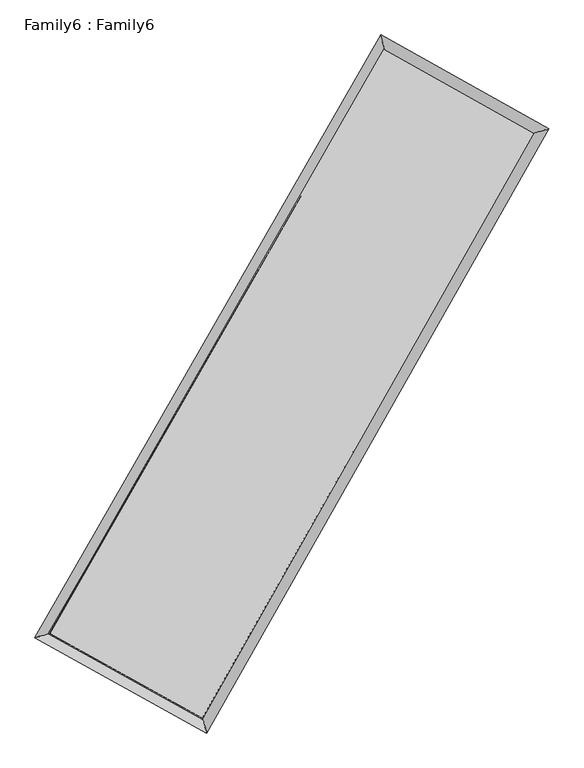
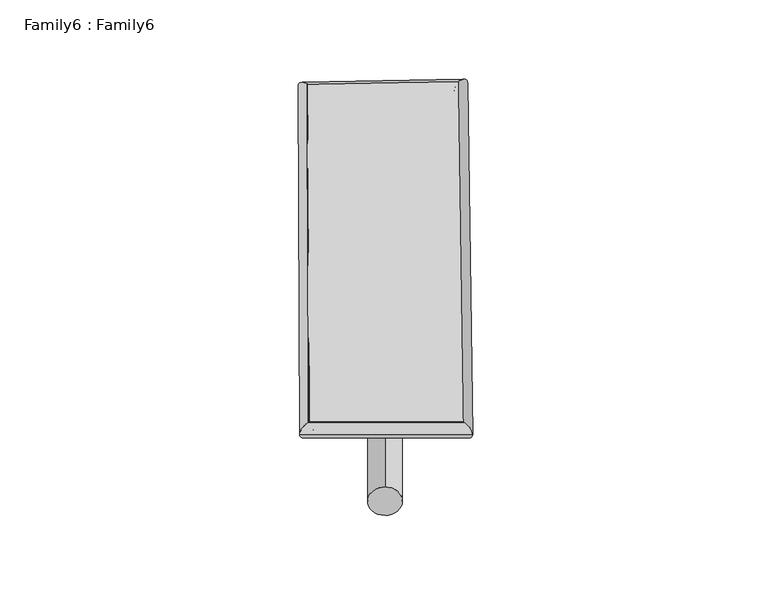
"""IFC4 building model written with IfcOpenShell, lengths in millimetres: plate geometry, Family6 : Family6."""

import ifcopenshell
import ifcopenshell.guid

model = None  # the IFC model being written
_history = None  # IfcOwnerHistory: only IFC2X3 demands one
_inside = {}  # id of a spatial element -> (the spatial element, [elements in it])
_under = {}  # id of a project, library or spatial element -> (it, [spatial elements below it])
_declared = {}  # id of a project -> (the project, [libraries it declares])
_typed = {}  # id of a type object -> (the type object, [elements of that type])
_made_of = {}  # id of a material, layer set ... -> (it, [elements and type objects made of it])


def new_model(schema):
    """Start an empty IFC model of exactly this schema.

    Asked for "IFC4X3", IfcOpenShell would pick the latest addendum, in which some entities
    have other attributes; the version numbers below select the first issue.
    IFC2X3 requires an IfcOwnerHistory on every rooted entity: one is made here for all.
    """
    global model, _history
    if schema == "IFC4X3":
        model = ifcopenshell.file(schema_version=(4, 3, 0, 0))
    else:
        model = ifcopenshell.file(schema=schema)
    _inside.clear()
    _under.clear()
    _declared.clear()
    _typed.clear()
    _made_of.clear()
    _history = None
    if model.schema == "IFC2X3":
        org = make("IfcOrganization", Name="unknown")
        user = make(
            "IfcPersonAndOrganization",
            ThePerson=make("IfcPerson", FamilyName="unknown"),
            TheOrganization=org,
        )
        app = make(
            "IfcApplication",
            ApplicationDeveloper=org,
            Version="unknown",
            ApplicationFullName="unknown",
            ApplicationIdentifier="unknown",
        )
        _history = make(
            "IfcOwnerHistory",
            OwningUser=user,
            OwningApplication=app,
            ChangeAction="ADDED",
            CreationDate=0,
        )
    return model


def make(cls, **values):
    """One entity of the class cls with the attributes given. An attribute that is None is left unset."""
    return model.create_entity(
        cls, **{name: value for name, value in values.items() if value is not None}
    )


def rooted(cls, **values):
    """An entity with a GlobalId (a new one), such as an element, a storey or a relation."""
    return make(cls, GlobalId=ifcopenshell.guid.new(), OwnerHistory=_history, **values)


def si_unit(unit_type, name, prefix=None):
    """IfcSIUnit, for example si_unit("LENGTHUNIT", "METRE", prefix="MILLI")."""
    return make("IfcSIUnit", UnitType=unit_type, Prefix=prefix, Name=name)


def assignment(units):
    """IfcUnitAssignment: the units of a project."""
    return None if units is None else make("IfcUnitAssignment", Units=units)


def point(xyz):
    """IfcCartesianPoint."""
    return None if xyz is None else make("IfcCartesianPoint", Coordinates=xyz)


def direction(xyz):
    """IfcDirection."""
    return None if xyz is None else make("IfcDirection", DirectionRatios=xyz)


def frame(location, z_axis=None, x_axis=None):
    """IfcAxis2Placement3D, a coordinate frame: its origin and axes. An axis left out is left unset."""
    return make(
        "IfcAxis2Placement3D",
        Location=point(location),
        Axis=direction(z_axis),
        RefDirection=direction(x_axis),
    )


def frame_2d(location, x_axis=None):
    """IfcAxis2Placement2D, a coordinate frame in the plane: its origin and x axis."""
    return make(
        "IfcAxis2Placement2D", Location=point(location), RefDirection=direction(x_axis)
    )


def origin():
    """The frame at (0, 0, 0) with its axes left unset."""
    return frame((0.0, 0.0, 0.0))


def origin_2d():
    """The frame at (0, 0) in the plane with its x axis left unset."""
    return frame_2d((0.0, 0.0))


def place(relative_to, where):
    """IfcLocalPlacement: puts the frame where relative to a parent placement (None: the world)."""
    return make(
        "IfcLocalPlacement", PlacementRelTo=relative_to, RelativePlacement=where
    )


def context(
    kind, dimensions, precision=None, world=None, true_north=None, identifier=None
):
    """IfcGeometricRepresentationContext, for example the 3D "Model" context."""
    return make(
        "IfcGeometricRepresentationContext",
        ContextIdentifier=identifier,
        ContextType=kind,
        CoordinateSpaceDimension=dimensions,
        Precision=precision,
        WorldCoordinateSystem=world,
        TrueNorth=true_north,
    )


def project(units=None, contexts=None):
    """IfcProject with its units and contexts."""
    return rooted(
        "IfcProject",
        Name="project",
        RepresentationContexts=contexts,
        UnitsInContext=assignment(units),
    )


def spatial(cls, under=None, at=None, **own):
    """A site, building, storey or space (cls), placed at a placement, below another one or the project."""
    s = rooted(cls, ObjectPlacement=at, **own)
    if under is not None:
        _under.setdefault(under.id(), (under, []))[1].append(s)
    return s


def circle_curve(where, radius):
    """IfcCircle in the frame where."""
    return make("IfcCircle", Position=where, Radius=radius)


def ellipse_curve(where, semi_axis1, semi_axis2):
    """IfcEllipse in the frame where."""
    return make(
        "IfcEllipse", Position=where, SemiAxis1=semi_axis1, SemiAxis2=semi_axis2
    )


def trimmed(basis, trim1, trim2, sense, master):
    """IfcTrimmedCurve: the piece of a basis curve between two trims."""
    return make(
        "IfcTrimmedCurve",
        BasisCurve=basis,
        Trim1=trim1,
        Trim2=trim2,
        SenseAgreement=sense,
        MasterRepresentation=master,
    )


def segment(curve, same_sense, transition):
    """IfcCompositeCurveSegment."""
    return make(
        "IfcCompositeCurveSegment",
        Transition=transition,
        SameSense=same_sense,
        ParentCurve=curve,
    )


def composite_curve(segments, self_intersect=None):
    """IfcCompositeCurve: segments joined end to end."""
    return make("IfcCompositeCurve", Segments=segments, SelfIntersect=self_intersect)


def outline(outer, holes=None, kind="AREA"):
    """IfcArbitraryClosedProfileDef: a profile drawn as a closed curve; with holes, ...WithVoids."""
    if holes is None:
        return make("IfcArbitraryClosedProfileDef", ProfileType=kind, OuterCurve=outer)
    return make(
        "IfcArbitraryProfileDefWithVoids",
        ProfileType=kind,
        OuterCurve=outer,
        InnerCurves=holes,
    )


def extrude(swept, where, along, depth):
    """IfcExtrudedAreaSolid: the profile swept, set in the frame where, extruded along a direction by depth."""
    return make(
        "IfcExtrudedAreaSolid",
        SweptArea=swept,
        Position=where,
        ExtrudedDirection=direction(along),
        Depth=depth,
    )


def shape(context_of_items, identifier, shape_type, items):
    """IfcShapeRepresentation: the items that make up one representation, for example the "Body"."""
    return make(
        "IfcShapeRepresentation",
        ContextOfItems=context_of_items,
        RepresentationIdentifier=identifier,
        RepresentationType=shape_type,
        Items=items,
    )


def source(mapping_origin, context_of_items, identifier, shape_type, items):
    """IfcRepresentationMap: a shape defined once, which mapped items show again and again."""
    return make(
        "IfcRepresentationMap",
        MappingOrigin=mapping_origin,
        MappedRepresentation=shape(context_of_items, identifier, shape_type, items),
    )


def transform(
    local_origin,
    x_axis=None,
    y_axis=None,
    z_axis=None,
    scale=None,
    scale2=None,
    scale3=None,
    uniform=True,
):
    """IfcCartesianTransformationOperator3D, or its non-uniform kind. x_axis, y_axis, z_axis: its Axis1, 2, 3."""
    if uniform:
        return make(
            "IfcCartesianTransformationOperator3D",
            Axis1=direction(x_axis),
            Axis2=direction(y_axis),
            LocalOrigin=point(local_origin),
            Scale=scale,
            Axis3=direction(z_axis),
        )
    return make(
        "IfcCartesianTransformationOperator3DnonUniform",
        Axis1=direction(x_axis),
        Axis2=direction(y_axis),
        LocalOrigin=point(local_origin),
        Scale=scale,
        Axis3=direction(z_axis),
        Scale2=scale2,
        Scale3=scale3,
    )


def mapped(mapping_source, mapping_target):
    """IfcMappedItem: shows the shape of a source again, moved by a transform."""
    return make(
        "IfcMappedItem", MappingSource=mapping_source, MappingTarget=mapping_target
    )


def made_of(thing, what):
    """Note that an element or type object is made of a material, layer set ...; save() writes the relation."""
    if what is not None:
        _made_of.setdefault(what.id(), (what, []))[1].append(thing)
    return thing


def element(
    cls,
    number,
    at=None,
    inside=None,
    cuts=None,
    type_object=None,
    material=None,
    context=None,
    identifier="Body",
    shape_type=None,
    held_by="IfcProductDefinitionShape",
    body=None,
    shapes=None,
    **own,
):
    """One element of the class cls, such as IfcWall. Its Tag is "e" and its number.

    at: its placement. inside: the storey or other place that contains it. cuts: it is an
    opening in that element (IfcRelVoidsElement). A single representation is given by context,
    identifier, shape_type and body (its items); several are given by shapes. held_by: the class
    of the entity that holds the representations. save() writes the other relations.
    """
    e = rooted(cls, Tag="e%d" % number, ObjectPlacement=at, **own)
    if body is not None:
        shapes = [shape(context, identifier, shape_type, body)]
    if shapes is not None:
        e.Representation = make(held_by, Representations=shapes)
    if inside is not None:
        _inside.setdefault(inside.id(), (inside, []))[1].append(e)
    if cuts is not None:
        rooted(
            "IfcRelVoidsElement", RelatingBuildingElement=cuts, RelatedOpeningElement=e
        )
    if type_object is not None:
        _typed.setdefault(type_object.id(), (type_object, []))[1].append(e)
    return made_of(e, material)


def aggregate(whole, parts):
    """IfcRelAggregates: a whole, such as a stair, and the parts it consists of."""
    return rooted("IfcRelAggregates", RelatingObject=whole, RelatedObjects=parts)


def save(model, path):
    """Write the relations noted so far, then the file.

    IfcRelAggregates (storeys below a building ...), IfcRelContainedInSpatialStructure (elements
    in a storey), IfcRelDefinesByType, IfcRelAssociatesMaterial and IfcRelDeclares: one each for
    every whole, place, type object, material and project.
    """
    for whole, parts in _under.values():
        aggregate(whole, parts)
    for where, things in _inside.values():
        rooted(
            "IfcRelContainedInSpatialStructure",
            RelatedElements=things,
            RelatingStructure=where,
        )
    for kind, things in _typed.values():
        rooted("IfcRelDefinesByType", RelatedObjects=things, RelatingType=kind)
    for what, things in _made_of.values():
        rooted("IfcRelAssociatesMaterial", RelatedObjects=things, RelatingMaterial=what)
    for by, libraries in _declared.values():
        rooted("IfcRelDeclares", RelatingContext=by, RelatedDefinitions=libraries)
    model.write(path)


def plane_surface(at):
    """IfcPlane: the flat surface through the origin of the frame at, square to its z axis."""
    return make("IfcPlane", Position=at)


def cylinder_surface(at, radius):
    """IfcCylindricalSurface: all points at the distance radius from the z axis of the frame at."""
    return make("IfcCylindricalSurface", Position=at, Radius=radius)


def spline_surface(u_degree, v_degree, points, u_multiplicities, v_multiplicities, u_knots, v_knots, weights=None):
    """IfcBSplineSurfaceWithKnots; with weights, IfcRationalBSplineSurfaceWithKnots. points: one row for each step in u."""
    own = dict(
        UDegree=u_degree,
        VDegree=v_degree,
        ControlPointsList=[[point(p) for p in row] for row in points],
        SurfaceForm="UNSPECIFIED",
        UClosed=False,
        VClosed=False,
        SelfIntersect=False,
        UMultiplicities=u_multiplicities,
        VMultiplicities=v_multiplicities,
        UKnots=u_knots,
        VKnots=v_knots,
        KnotSpec="UNSPECIFIED",
    )
    if weights is None:
        return make("IfcBSplineSurfaceWithKnots", **own)
    return make("IfcRationalBSplineSurfaceWithKnots", WeightsData=weights, **own)


def advanced_brep(points, edges, surfaces, faces):
    """IfcAdvancedBrep: a solid bounded by faces that lie on surfaces and meet in shared edges.

    An edge is (start, end): straight between two places in points (the first is 0);
    or (start, end, curve); or (start, end, curve, False) where it runs against its curve.
    A face is (place in surfaces, loops), or (place, loops, False) where it looks against
    its surface's normal. A loop lists edges by number (the first is 1), with a minus sign
    where the edge is run from its end to its start. The first loop is the outer one.
    """
    corners = [point(p) for p in points]
    vertices = [make("IfcVertexPoint", VertexGeometry=c) for c in corners]
    made = []
    for start, end, *more in edges:
        made.append(
            make(
                "IfcEdgeCurve",
                EdgeStart=vertices[start],
                EdgeEnd=vertices[end],
                EdgeGeometry=more[0] if more else make("IfcPolyline", Points=[corners[start], corners[end]]),
                SameSense=more[1] if len(more) > 1 else True,
            )
        )
    hull = []
    for where, loops, *sense in faces:
        bounds = []
        for j, loop in enumerate(loops):
            ring = [make("IfcOrientedEdge", EdgeElement=made[abs(k) - 1], Orientation=k > 0) for k in loop]
            bounds.append(
                make(
                    "IfcFaceOuterBound" if j == 0 else "IfcFaceBound",
                    Bound=make("IfcEdgeLoop", EdgeList=ring),
                    Orientation=True,
                )
            )
        hull.append(make("IfcAdvancedFace", Bounds=bounds, FaceSurface=surfaces[where], SameSense=sense[0] if sense else True))
    return make("IfcAdvancedBrep", Outer=make("IfcClosedShell", CfsFaces=hull))


def family6_family6_a5cd1183(model_context):
    return source(origin(), model_context, "Body", "SolidModel", [
        extrude(outline(composite_curve([segment(trimmed(circle_curve(origin_2d(), 76.2), [point((-75.4341515, -10.7763074))], [point((75.4341515, 10.7763074))], False, "CARTESIAN"), True, "CONTINUOUS"), segment(trimmed(circle_curve(origin_2d(), 76.2), [point((75.4341515, 10.7763074))], [point((-75.4341515, -10.7763074))], False, "CARTESIAN"), True, "CONTINUOUS")], self_intersect=False)), frame((9144.0, 9144.0, 0.0), z_axis=(0.6684041879448409, 0.6910500932005788, 0.2751101783381877), x_axis=(-0.6830281956757306, 0.7166942747575813, -0.14078991598001786)), (0.0, 0.0, 1.0), 5600.3910367),
        extrude(outline(composite_curve([segment(trimmed(circle_curve(origin_2d(), 76.2), [point((-53.8815367, 53.8815367))], [point((53.8815367, -53.8815367))], False, "CARTESIAN"), True, "CONTINUOUS"), segment(trimmed(circle_curve(origin_2d(), 76.2), [point((53.8815367, -53.8815367))], [point((-53.8815367, 53.8815367))], False, "CARTESIAN"), True, "CONTINUOUS")], self_intersect=False)), frame((9144.0, 9144.0, 0.0), z_axis=(-0.6721735838616373, -0.6876306922082611, 0.27449354143912036), x_axis=(0.6426042725373465, -0.35767353135523083, 0.6775908750010041)), (0.0, 0.0, 1.0), 5612.5788653),
        extrude(outline(composite_curve([segment(trimmed(circle_curve(origin_2d(), 76.2), [point((-53.8815367, -53.8815367))], [point((53.8815367, 53.8815367))], False, "CARTESIAN"), True, "CONTINUOUS"), segment(trimmed(circle_curve(origin_2d(), 76.2), [point((53.8815367, 53.8815367))], [point((-53.8815367, -53.8815367))], False, "CARTESIAN"), True, "CONTINUOUS")], self_intersect=False)), frame((9144.0, 9144.0, 0.0), z_axis=(0.253819509232191, 0.9287491394367416, 0.2701864036709505), x_axis=(-0.8433099738471631, 0.3492910210873995, -0.4084410246261009)), (0.0, 0.0, 1.0), 5568.4862991),
        extrude(outline(composite_curve([segment(trimmed(circle_curve(origin_2d(), 76.2), [point((-75.4341515, 10.7763074))], [point((75.4341515, -10.7763074))], False, "CARTESIAN"), True, "CONTINUOUS"), segment(trimmed(circle_curve(origin_2d(), 76.2), [point((75.4341515, -10.7763074))], [point((-75.4341515, 10.7763074))], False, "CARTESIAN"), True, "CONTINUOUS")], self_intersect=False)), frame((9144.0, 9144.0, 0.0), z_axis=(-0.2487741159004101, -0.9301354958141718, 0.2701099751665873), x_axis=(0.8863818405413212, -0.10621660391630366, 0.45060544361011357)), (0.0, 0.0, 1.0), 5571.6443397),
        advanced_brep(
        [(5162.2339188, 5226.3883504, 1537.941717), (5162.1936431, 5226.3344313, 1543.9541785), (5580.51158, 5342.8486692, 1543.2915816), (10614.5255801, 14109.2525658, 1508.2619506), (10500.2553391, 14522.2011507, 1500.7966235), (5580.5518558, 5342.9025883, 1537.2791202), (12679.1471505, 12955.8886964, 1540.3356336), (13095.5024957, 13072.4127994, 1541.1135202), (7699.755666, 4168.1035679, 1505.6138353), (7816.0825445, 3755.1280912, 1504.2995932)],
        [
            (0, 1, ellipse_curve(frame((5371.3727494, 5284.6185098, 1540.6166493), z_axis=(-0.26830049815047746, 0.9633109753149686, 0.006841602877236153), x_axis=(-0.9632473726586946, -0.2683651886009817, 0.011602784720984577)), 217.1744939, 152.4)),
            (1, 2, ellipse_curve(frame((5371.3727494, 5284.6185098, 1540.6166493), z_axis=(-0.26830049815047746, 0.9633109753149686, 0.006841602877236153), x_axis=(-0.9632473726586946, -0.2683651886009817, 0.011602784720984577)), 217.1744939, 152.4)),
            (2, 3),
            (3, 4, ellipse_curve(frame((10557.3904596, 14315.7268582, 1504.529287), z_axis=(-0.963723620234081, -0.26680782285877075, -0.0070971447976891314), x_axis=(0.26671213601040106, -0.9637001431949438, 0.01211076012537368)), 214.2691132, 152.4)),
            (4, 0),
            (2, 5, ellipse_curve(frame((5371.3727494, 5284.6185098, 1540.6166493), z_axis=(-0.26830049815047746, 0.9633109753149686, 0.006841602877236153), x_axis=(-0.9632473726586946, -0.2683651886009817, 0.011602784720984577)), 217.1744939, 152.4)),
            (5, 0, ellipse_curve(frame((5371.3727494, 5284.6185098, 1540.6166493), z_axis=(-0.26830049815047746, 0.9633109753149686, 0.006841602877236153), x_axis=(-0.9632473726586946, -0.2683651886009817, 0.011602784720984577)), 217.1744939, 152.4)),
            (4, 3, ellipse_curve(frame((10557.3904596, 14315.7268582, 1504.529287), z_axis=(-0.963723620234081, -0.26680782285877075, -0.0070971447976891314), x_axis=(0.26671213601040106, -0.9637001431949438, 0.01211076012537368)), 214.2691132, 152.4)),
            (3, 6),
            (6, 7, ellipse_curve(frame((12887.3248231, 13014.1507479, 1540.7245769), z_axis=(-0.2694917283754292, 0.9629759353498419, -0.007180269794429624), x_axis=(-0.962908422972515, -0.26956218556824435, -0.011983199917197844)), 216.1885014, 152.4)),
            (7, 4),
            (7, 6, ellipse_curve(frame((12887.3248231, 13014.1507479, 1540.7245769), z_axis=(-0.2694917283754292, 0.9629759353498419, -0.007180269794429624), x_axis=(-0.962908422972515, -0.26956218556824435, -0.011983199917197844)), 216.1885014, 152.4)),
            (6, 8),
            (8, 9, ellipse_curve(frame((7757.9191053, 3961.6158296, 1504.9567142), z_axis=(0.9625152838149457, 0.271142749151782, -0.006777758113758808), x_axis=(-0.2710538409728136, 0.9624927703862118, 0.011725282434103045)), 214.5320333, 152.4)),
            (9, 7),
            (9, 8, ellipse_curve(frame((7757.9191053, 3961.6158296, 1504.9567142), z_axis=(0.9625152838149457, 0.271142749151782, -0.006777758113758808), x_axis=(-0.2710538409728136, 0.9624927703862118, 0.011725282434103045)), 214.5320333, 152.4)),
            (8, 5),
            (1, 9),
        ],
        [
            cylinder_surface(frame((5371.3727494, 5284.6185098, 1540.6166493), z_axis=(-0.497972318733728, -0.8671860021196615, 0.003465184363530374), x_axis=(-0.8670350836086486, 0.4978014698923513, -0.02106799384750347)), 152.4),
            cylinder_surface(frame((10557.3904596, 14315.7268582, 1504.529287), z_axis=(-0.8729343650978588, 0.4876491515371257, -0.013560945259075696), x_axis=(0.4877953096839709, 0.8728875837820318, -0.011090623493986228)), 152.4),
            cylinder_surface(frame((12887.3248231, 13014.1507479, 1540.7245769), z_axis=(0.4929831731275244, 0.8700320533019597, 0.0034376213132604355), x_axis=(0.8700383725734783, -0.4929831731275244, -0.0009062355161397351)), 152.4),
            cylinder_surface(frame((7757.9191053, 3961.6158296, 1504.9567142), z_axis=(0.8745266293749341, -0.4848014251992109, -0.013067235320862774), x_axis=(-0.4847260687525345, -0.874623403938485, 0.008633629293108009)), 152.4),
        ],
        [
            (0, [[1, 2, 3, 4, 5]]),
            (0, [[6, 7, -5, 8, -3]]),
            (1, [[-4, 9, 10, 11]]),
            (1, [[-8, -11, 12, -9]]),
            (2, [[-10, 13, 14, 15]]),
            (2, [[-12, -15, 16, -13]]),
            (3, [[-14, 17, -6, -2, 18]]),
            (3, [[-16, -18, -1, -7, -17]]),
        ],
    ),
        extrude(outline(composite_curve([segment(trimmed(circle_curve(origin_2d(), 304.8), [point((0.0, -304.8))], [point((0.0, 304.8))], False, "CARTESIAN"), True, "CONTINUOUS"), segment(trimmed(circle_curve(origin_2d(), 304.8), [point((0.0, 304.8))], [point((0.0, -304.8))], False, "CARTESIAN"), True, "CONTINUOUS")], self_intersect=False)), frame((6536.1837446, 4612.7226016, -0.0110935), z_axis=(0.49880626960116176, 0.8667135082609886, 2.1218879383392253e-06), x_axis=(-0.8667135082634005, 0.49880626960116176, 5.669916687005141e-07)), (0.0, 0.0, 1.0), 10456.228858),
        advanced_brep(
        [(5371.3727494, 5284.6185098, 1540.6166493), (7757.9191053, 3961.6158296, 1504.9567142), (7757.9267441, 3961.6144209, 1657.356714), (5371.3803883, 5284.6171011, 1693.0166491), (12887.3248231, 13014.1507479, 1540.7245769), (12887.332462, 13014.1493392, 1693.1245767), (10557.3904596, 14315.7268582, 1504.529287), (10557.3980985, 14315.7254495, 1656.9292868)],
        [
            (0, 1),
            (1, 2),
            (2, 3),
            (3, 0),
            (1, 4),
            (4, 5),
            (5, 2),
            (4, 6),
            (6, 7),
            (7, 5),
            (6, 0),
            (3, 7),
        ],
        [
            plane_surface(frame((6564.6459274, 4623.1171697, 1522.7866818), z_axis=(-0.48484263563475033, -0.8746014054457781, 1.621784742034723e-05), x_axis=(0.874526629374934, -0.48480142519921093, -0.01306723532086278))),
            plane_surface(frame((10322.6219642, 8487.8832887, 1522.8406456), z_axis=(0.8700372746554852, -0.4929859413715969, -4.816654867374867e-05), x_axis=(0.49298317312752415, 0.8700320533019599, 0.003437621313260438))),
            plane_surface(frame((11722.3576413, 13664.9388031, 1522.626932), z_axis=(0.48769419069553244, 0.8730145337241956, -1.6375446632030735e-05), x_axis=(-0.8729343650978588, 0.4876491515371257, -0.013560945259075703))),
            plane_surface(frame((7964.3816045, 9800.172684, 1522.5729682), z_axis=(-0.8671911245847713, 0.4979754523374362, 4.807000894787444e-05), x_axis=(-0.4979723187337281, -0.8671860021196613, 0.003465184363530371))),
            spline_surface(1, 1, [[(7757.9267441, 3961.6144209, 1657.356714), (5371.3803883, 5284.6171011, 1693.0166491)], [(12887.332462, 13014.1493392, 1693.1245767), (10557.3980985, 14315.7254495, 1656.9292868)]], [2, 2], [2, 2], [0.0, 1.0], [0.0, 1.0]),
            spline_surface(1, 1, [[(10557.3904596, 14315.7268582, 1504.529287), (5371.3727494, 5284.6185098, 1540.6166493)], [(12887.3248231, 13014.1507479, 1540.7245769), (7757.9191053, 3961.6158296, 1504.9567142)]], [2, 2], [2, 2], [0.0, 1.0], [0.0, 1.0]),
        ],
        [
            (0, [[1, 2, 3, 4]]),
            (1, [[5, 6, 7, -2]]),
            (2, [[8, 9, 10, -6]]),
            (3, [[11, -4, 12, -9]]),
            (4, [[-3, -7, -10, -12]]),
            (5, [[-11, -8, -5, -1]]),
        ],
    ),
    ])


if __name__ == "__main__":
    model = new_model("IFC4")
    model_context = context("Model", 3, world=origin())
    ifc_project = project(units=[si_unit("LENGTHUNIT", "METRE", prefix="MILLI")], contexts=[model_context])
    site = spatial("IfcSite", under=ifc_project)
    building = spatial("IfcBuilding", under=site)
    placement = place(None, origin())
    family6_family6_shape = family6_family6_a5cd1183(model_context)
    element("IfcPlate", 1, ObjectType="Family6 : Family6", at=placement, inside=building, context=model_context, shape_type="MappedRepresentation", body=[
        mapped(family6_family6_shape, transform((0.0, 0.0, 0.0), x_axis=(1.0, 0.0, 0.0), y_axis=(0.0, 1.0, 0.0), z_axis=(0.0, 0.0, 1.0))),
    ])
    save(model, "model.ifc")
